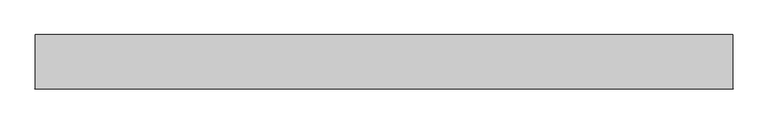
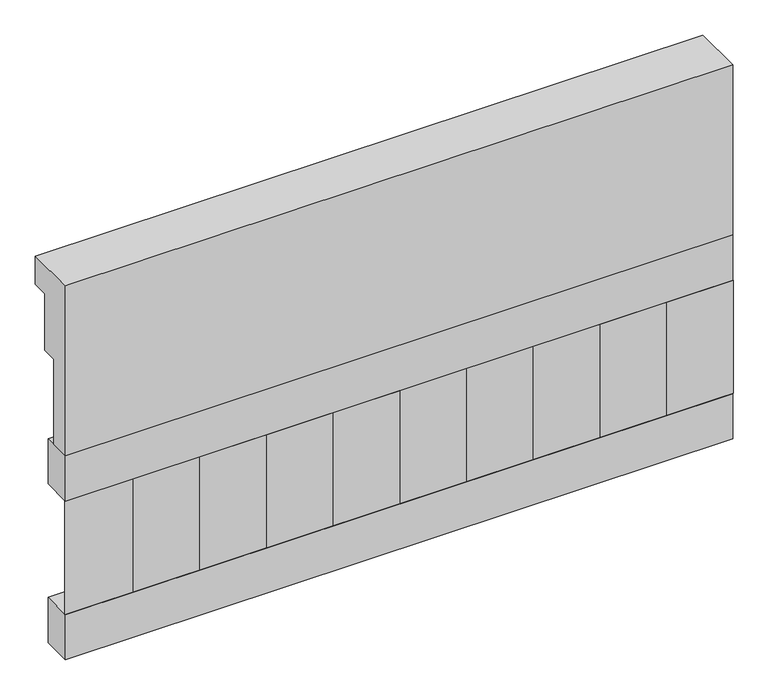
"""IFC4 building model written with IfcOpenShell, lengths in millimetres: railing geometry."""

from ifc_helpers import new_model, si_unit, frame, origin, place, context, project, spatial, polyline, outline, extrude, source, transform, mapped, element, save


def railing_b13746dc(model_context):
    return source(origin(), model_context, "Body", "SweptSolid", [
        extrude(outline(polyline([(903.1079487, 18500.0), (1033.1079487, 18500.0), (1033.1079487, 18425.0), (993.1079487, 18425.0), (993.1079487, 18275.0), (953.1079487, 18275.0), (953.1079487, 18050.0), (903.1079487, 18050.0), (903.1079487, 18500.0)])), frame((-12439.9887159, 0.0, 0.0), z_axis=(1.0, 0.0, 0.0), x_axis=(0.0, 1.0, 0.0)), (0.0, 0.0, 1.0), 1670.0),
        extrude(outline(polyline([(-10769.9887159, 978.1079487), (-10769.9887159, 903.1079487), (-12439.9887159, 903.1079487), (-12439.9887159, 978.1079487), (-10769.9887159, 978.1079487)])), frame((0.0, 0.0, 17930.0), z_axis=(0.0, 0.0, 1.0), x_axis=(1.0, 0.0, 0.0)), (0.0, 0.0, 1.0), 120.0),
        extrude(outline(polyline([(-10769.9887159, 978.1079487), (-10769.9887159, 903.1079487), (-12439.9887159, 903.1079487), (-12439.9887159, 978.1079487), (-10769.9887159, 978.1079487)])), frame((0.0, 0.0, 17510.0), z_axis=(0.0, 0.0, 1.0), x_axis=(1.0, 0.0, 0.0)), (0.0, 0.0, 1.0), 120.0),
        extrude(outline(polyline([(-12356.4887159, 987.9607624), (-12271.6359022, 903.1079487), (-12441.3415296, 903.1079487), (-12356.4887159, 987.9607624)])), frame((0.0, 0.0, 17630.0), z_axis=(0.0, 0.0, 1.0), x_axis=(1.0, 0.0, 0.0)), (0.0, 0.0, 1.0), 300.0),
        extrude(outline(polyline([(-12189.4887159, 987.9607624), (-12104.6359022, 903.1079487), (-12274.3415296, 903.1079487), (-12189.4887159, 987.9607624)])), frame((0.0, 0.0, 17630.0), z_axis=(0.0, 0.0, 1.0), x_axis=(1.0, 0.0, 0.0)), (0.0, 0.0, 1.0), 300.0),
        extrude(outline(polyline([(-12022.4887159, 987.9607624), (-11937.6359022, 903.1079487), (-12107.3415296, 903.1079487), (-12022.4887159, 987.9607624)])), frame((0.0, 0.0, 17630.0), z_axis=(0.0, 0.0, 1.0), x_axis=(1.0, 0.0, 0.0)), (0.0, 0.0, 1.0), 300.0),
        extrude(outline(polyline([(-11855.4887159, 987.9607624), (-11770.6359022, 903.1079487), (-11940.3415296, 903.1079487), (-11855.4887159, 987.9607624)])), frame((0.0, 0.0, 17630.0), z_axis=(0.0, 0.0, 1.0), x_axis=(1.0, 0.0, 0.0)), (0.0, 0.0, 1.0), 300.0),
        extrude(outline(polyline([(-11688.4887159, 987.9607624), (-11603.6359022, 903.1079487), (-11773.3415296, 903.1079487), (-11688.4887159, 987.9607624)])), frame((0.0, 0.0, 17630.0), z_axis=(0.0, 0.0, 1.0), x_axis=(1.0, 0.0, 0.0)), (0.0, 0.0, 1.0), 300.0),
        extrude(outline(polyline([(-11521.4887159, 987.9607624), (-11436.6359022, 903.1079487), (-11606.3415296, 903.1079487), (-11521.4887159, 987.9607624)])), frame((0.0, 0.0, 17630.0), z_axis=(0.0, 0.0, 1.0), x_axis=(1.0, 0.0, 0.0)), (0.0, 0.0, 1.0), 300.0),
        extrude(outline(polyline([(-11354.4887159, 987.9607624), (-11269.6359022, 903.1079487), (-11439.3415296, 903.1079487), (-11354.4887159, 987.9607624)])), frame((0.0, 0.0, 17630.0), z_axis=(0.0, 0.0, 1.0), x_axis=(1.0, 0.0, 0.0)), (0.0, 0.0, 1.0), 300.0),
        extrude(outline(polyline([(-11187.4887159, 987.9607624), (-11102.6359022, 903.1079487), (-11272.3415296, 903.1079487), (-11187.4887159, 987.9607624)])), frame((0.0, 0.0, 17630.0), z_axis=(0.0, 0.0, 1.0), x_axis=(1.0, 0.0, 0.0)), (0.0, 0.0, 1.0), 300.0),
        extrude(outline(polyline([(-11020.4887159, 987.9607624), (-10935.6359022, 903.1079487), (-11105.3415296, 903.1079487), (-11020.4887159, 987.9607624)])), frame((0.0, 0.0, 17630.0), z_axis=(0.0, 0.0, 1.0), x_axis=(1.0, 0.0, 0.0)), (0.0, 0.0, 1.0), 300.0),
        extrude(outline(polyline([(-10853.4887159, 987.9607624), (-10768.6359022, 903.1079487), (-10938.3415296, 903.1079487), (-10853.4887159, 987.9607624)])), frame((0.0, 0.0, 17630.0), z_axis=(0.0, 0.0, 1.0), x_axis=(1.0, 0.0, 0.0)), (0.0, 0.0, 1.0), 300.0),
    ])


if __name__ == "__main__":
    model = new_model("IFC4")
    model_context = context("Model", 3, world=origin())
    ifc_project = project(units=[si_unit("LENGTHUNIT", "METRE", prefix="MILLI")], contexts=[model_context])
    site = spatial("IfcSite", under=ifc_project)
    building = spatial("IfcBuilding", under=site)
    placement = place(None, origin())
    railing_shape = railing_b13746dc(model_context)
    element("IfcRailing", 1, at=placement, inside=building, context=model_context, shape_type="MappedRepresentation", body=[
        mapped(railing_shape, transform((0.0, 0.0, 0.0), x_axis=(1.0, 0.0, 0.0), y_axis=(0.0, 1.0, 0.0), z_axis=(0.0, 0.0, 1.0))),
    ])
    save(model, "model.ifc")
